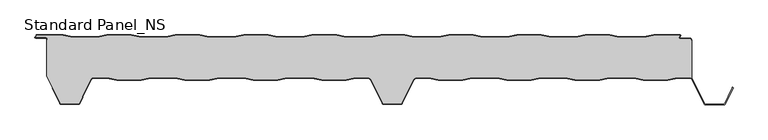
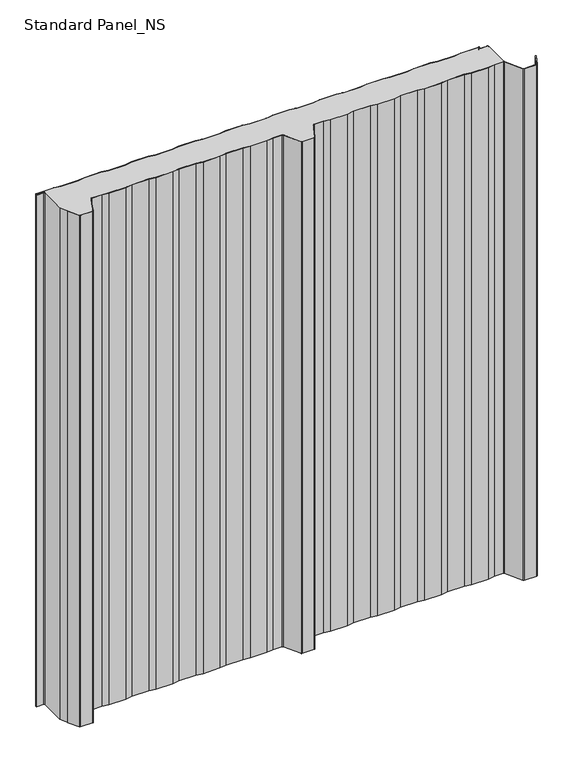
"""IFC4 building model written with IfcOpenShell, lengths in millimetres: proxy geometry, Standard Panel_NS."""

import ifcopenshell
import ifcopenshell.guid

model = None  # the IFC model being written
_history = None  # IfcOwnerHistory: only IFC2X3 demands one
_inside = {}  # id of a spatial element -> (the spatial element, [elements in it])
_under = {}  # id of a project, library or spatial element -> (it, [spatial elements below it])
_declared = {}  # id of a project -> (the project, [libraries it declares])
_typed = {}  # id of a type object -> (the type object, [elements of that type])
_made_of = {}  # id of a material, layer set ... -> (it, [elements and type objects made of it])


def new_model(schema):
    """Start an empty IFC model of exactly this schema.

    Asked for "IFC4X3", IfcOpenShell would pick the latest addendum, in which some entities
    have other attributes; the version numbers below select the first issue.
    IFC2X3 requires an IfcOwnerHistory on every rooted entity: one is made here for all.
    """
    global model, _history
    if schema == "IFC4X3":
        model = ifcopenshell.file(schema_version=(4, 3, 0, 0))
    else:
        model = ifcopenshell.file(schema=schema)
    _inside.clear()
    _under.clear()
    _declared.clear()
    _typed.clear()
    _made_of.clear()
    _history = None
    if model.schema == "IFC2X3":
        org = make("IfcOrganization", Name="unknown")
        user = make(
            "IfcPersonAndOrganization",
            ThePerson=make("IfcPerson", FamilyName="unknown"),
            TheOrganization=org,
        )
        app = make(
            "IfcApplication",
            ApplicationDeveloper=org,
            Version="unknown",
            ApplicationFullName="unknown",
            ApplicationIdentifier="unknown",
        )
        _history = make(
            "IfcOwnerHistory",
            OwningUser=user,
            OwningApplication=app,
            ChangeAction="ADDED",
            CreationDate=0,
        )
    return model


def make(cls, **values):
    """One entity of the class cls with the attributes given. An attribute that is None is left unset."""
    return model.create_entity(
        cls, **{name: value for name, value in values.items() if value is not None}
    )


def rooted(cls, **values):
    """An entity with a GlobalId (a new one), such as an element, a storey or a relation."""
    return make(cls, GlobalId=ifcopenshell.guid.new(), OwnerHistory=_history, **values)


def si_unit(unit_type, name, prefix=None):
    """IfcSIUnit, for example si_unit("LENGTHUNIT", "METRE", prefix="MILLI")."""
    return make("IfcSIUnit", UnitType=unit_type, Prefix=prefix, Name=name)


def assignment(units):
    """IfcUnitAssignment: the units of a project."""
    return None if units is None else make("IfcUnitAssignment", Units=units)


def point(xyz):
    """IfcCartesianPoint."""
    return None if xyz is None else make("IfcCartesianPoint", Coordinates=xyz)


def direction(xyz):
    """IfcDirection."""
    return None if xyz is None else make("IfcDirection", DirectionRatios=xyz)


def frame(location, z_axis=None, x_axis=None):
    """IfcAxis2Placement3D, a coordinate frame: its origin and axes. An axis left out is left unset."""
    return make(
        "IfcAxis2Placement3D",
        Location=point(location),
        Axis=direction(z_axis),
        RefDirection=direction(x_axis),
    )


def frame_2d(location, x_axis=None):
    """IfcAxis2Placement2D, a coordinate frame in the plane: its origin and x axis."""
    return make(
        "IfcAxis2Placement2D", Location=point(location), RefDirection=direction(x_axis)
    )


def origin():
    """The frame at (0, 0, 0) with its axes left unset."""
    return frame((0.0, 0.0, 0.0))


def origin_with_axes():
    """The frame at (0, 0, 0) with the z axis (0, 0, 1) and the x axis (1, 0, 0) written out."""
    return frame((0.0, 0.0, 0.0), z_axis=(0.0, 0.0, 1.0), x_axis=(1.0, 0.0, 0.0))


def place(relative_to, where):
    """IfcLocalPlacement: puts the frame where relative to a parent placement (None: the world)."""
    return make(
        "IfcLocalPlacement", PlacementRelTo=relative_to, RelativePlacement=where
    )


def context(
    kind, dimensions, precision=None, world=None, true_north=None, identifier=None
):
    """IfcGeometricRepresentationContext, for example the 3D "Model" context."""
    return make(
        "IfcGeometricRepresentationContext",
        ContextIdentifier=identifier,
        ContextType=kind,
        CoordinateSpaceDimension=dimensions,
        Precision=precision,
        WorldCoordinateSystem=world,
        TrueNorth=true_north,
    )


def project(units=None, contexts=None):
    """IfcProject with its units and contexts."""
    return rooted(
        "IfcProject",
        Name="project",
        RepresentationContexts=contexts,
        UnitsInContext=assignment(units),
    )


def spatial(cls, under=None, at=None, **own):
    """A site, building, storey or space (cls), placed at a placement, below another one or the project."""
    s = rooted(cls, ObjectPlacement=at, **own)
    if under is not None:
        _under.setdefault(under.id(), (under, []))[1].append(s)
    return s


def polyline(points):
    """IfcPolyline through the points."""
    return make("IfcPolyline", Points=[point(p) for p in points])


def circle_curve(where, radius):
    """IfcCircle in the frame where."""
    return make("IfcCircle", Position=where, Radius=radius)


def trimmed(basis, trim1, trim2, sense, master):
    """IfcTrimmedCurve: the piece of a basis curve between two trims."""
    return make(
        "IfcTrimmedCurve",
        BasisCurve=basis,
        Trim1=trim1,
        Trim2=trim2,
        SenseAgreement=sense,
        MasterRepresentation=master,
    )


def segment(curve, same_sense, transition):
    """IfcCompositeCurveSegment."""
    return make(
        "IfcCompositeCurveSegment",
        Transition=transition,
        SameSense=same_sense,
        ParentCurve=curve,
    )


def composite_curve(segments, self_intersect=None):
    """IfcCompositeCurve: segments joined end to end."""
    return make("IfcCompositeCurve", Segments=segments, SelfIntersect=self_intersect)


def outline(outer, holes=None, kind="AREA"):
    """IfcArbitraryClosedProfileDef: a profile drawn as a closed curve; with holes, ...WithVoids."""
    if holes is None:
        return make("IfcArbitraryClosedProfileDef", ProfileType=kind, OuterCurve=outer)
    return make(
        "IfcArbitraryProfileDefWithVoids",
        ProfileType=kind,
        OuterCurve=outer,
        InnerCurves=holes,
    )


def extrude(swept, where, along, depth):
    """IfcExtrudedAreaSolid: the profile swept, set in the frame where, extruded along a direction by depth."""
    return make(
        "IfcExtrudedAreaSolid",
        SweptArea=swept,
        Position=where,
        ExtrudedDirection=direction(along),
        Depth=depth,
    )


def shape(context_of_items, identifier, shape_type, items):
    """IfcShapeRepresentation: the items that make up one representation, for example the "Body"."""
    return make(
        "IfcShapeRepresentation",
        ContextOfItems=context_of_items,
        RepresentationIdentifier=identifier,
        RepresentationType=shape_type,
        Items=items,
    )


def source(mapping_origin, context_of_items, identifier, shape_type, items):
    """IfcRepresentationMap: a shape defined once, which mapped items show again and again."""
    return make(
        "IfcRepresentationMap",
        MappingOrigin=mapping_origin,
        MappedRepresentation=shape(context_of_items, identifier, shape_type, items),
    )


def transform(
    local_origin,
    x_axis=None,
    y_axis=None,
    z_axis=None,
    scale=None,
    scale2=None,
    scale3=None,
    uniform=True,
):
    """IfcCartesianTransformationOperator3D, or its non-uniform kind. x_axis, y_axis, z_axis: its Axis1, 2, 3."""
    if uniform:
        return make(
            "IfcCartesianTransformationOperator3D",
            Axis1=direction(x_axis),
            Axis2=direction(y_axis),
            LocalOrigin=point(local_origin),
            Scale=scale,
            Axis3=direction(z_axis),
        )
    return make(
        "IfcCartesianTransformationOperator3DnonUniform",
        Axis1=direction(x_axis),
        Axis2=direction(y_axis),
        LocalOrigin=point(local_origin),
        Scale=scale,
        Axis3=direction(z_axis),
        Scale2=scale2,
        Scale3=scale3,
    )


def mapped(mapping_source, mapping_target):
    """IfcMappedItem: shows the shape of a source again, moved by a transform."""
    return make(
        "IfcMappedItem", MappingSource=mapping_source, MappingTarget=mapping_target
    )


def made_of(thing, what):
    """Note that an element or type object is made of a material, layer set ...; save() writes the relation."""
    if what is not None:
        _made_of.setdefault(what.id(), (what, []))[1].append(thing)
    return thing


def element(
    cls,
    number,
    at=None,
    inside=None,
    cuts=None,
    type_object=None,
    material=None,
    context=None,
    identifier="Body",
    shape_type=None,
    held_by="IfcProductDefinitionShape",
    body=None,
    shapes=None,
    **own,
):
    """One element of the class cls, such as IfcWall. Its Tag is "e" and its number.

    at: its placement. inside: the storey or other place that contains it. cuts: it is an
    opening in that element (IfcRelVoidsElement). A single representation is given by context,
    identifier, shape_type and body (its items); several are given by shapes. held_by: the class
    of the entity that holds the representations. save() writes the other relations.
    """
    e = rooted(cls, Tag="e%d" % number, ObjectPlacement=at, **own)
    if body is not None:
        shapes = [shape(context, identifier, shape_type, body)]
    if shapes is not None:
        e.Representation = make(held_by, Representations=shapes)
    if inside is not None:
        _inside.setdefault(inside.id(), (inside, []))[1].append(e)
    if cuts is not None:
        rooted(
            "IfcRelVoidsElement", RelatingBuildingElement=cuts, RelatedOpeningElement=e
        )
    if type_object is not None:
        _typed.setdefault(type_object.id(), (type_object, []))[1].append(e)
    return made_of(e, material)


def aggregate(whole, parts):
    """IfcRelAggregates: a whole, such as a stair, and the parts it consists of."""
    return rooted("IfcRelAggregates", RelatingObject=whole, RelatedObjects=parts)


def save(model, path):
    """Write the relations noted so far, then the file.

    IfcRelAggregates (storeys below a building ...), IfcRelContainedInSpatialStructure (elements
    in a storey), IfcRelDefinesByType, IfcRelAssociatesMaterial and IfcRelDeclares: one each for
    every whole, place, type object, material and project.
    """
    for whole, parts in _under.values():
        aggregate(whole, parts)
    for where, things in _inside.values():
        rooted(
            "IfcRelContainedInSpatialStructure",
            RelatedElements=things,
            RelatingStructure=where,
        )
    for kind, things in _typed.values():
        rooted("IfcRelDefinesByType", RelatedObjects=things, RelatingType=kind)
    for what, things in _made_of.values():
        rooted("IfcRelAssociatesMaterial", RelatedObjects=things, RelatingMaterial=what)
    for by, libraries in _declared.values():
        rooted("IfcRelDeclares", RelatingContext=by, RelatedDefinitions=libraries)
    model.write(path)


def plane_surface(at):
    """IfcPlane: the flat surface through the origin of the frame at, square to its z axis."""
    return make("IfcPlane", Position=at)


def cylinder_surface(at, radius):
    """IfcCylindricalSurface: all points at the distance radius from the z axis of the frame at."""
    return make("IfcCylindricalSurface", Position=at, Radius=radius)


def revolved_surface(curve, axis_point, axis_direction):
    """IfcSurfaceOfRevolution: the curve turned about the line through axis_point along axis_direction."""
    return make(
        "IfcSurfaceOfRevolution",
        SweptCurve=make("IfcArbitraryOpenProfileDef", ProfileType="CURVE", Curve=curve),
        AxisPosition=make("IfcAxis1Placement", Location=point(axis_point), Axis=direction(axis_direction)),
    )


def advanced_brep(points, edges, surfaces, faces):
    """IfcAdvancedBrep: a solid bounded by faces that lie on surfaces and meet in shared edges.

    An edge is (start, end): straight between two places in points (the first is 0);
    or (start, end, curve); or (start, end, curve, False) where it runs against its curve.
    A face is (place in surfaces, loops), or (place, loops, False) where it looks against
    its surface's normal. A loop lists edges by number (the first is 1), with a minus sign
    where the edge is run from its end to its start. The first loop is the outer one.
    """
    corners = [point(p) for p in points]
    vertices = [make("IfcVertexPoint", VertexGeometry=c) for c in corners]
    made = []
    for start, end, *more in edges:
        made.append(
            make(
                "IfcEdgeCurve",
                EdgeStart=vertices[start],
                EdgeEnd=vertices[end],
                EdgeGeometry=more[0] if more else make("IfcPolyline", Points=[corners[start], corners[end]]),
                SameSense=more[1] if len(more) > 1 else True,
            )
        )
    hull = []
    for where, loops, *sense in faces:
        bounds = []
        for j, loop in enumerate(loops):
            ring = [make("IfcOrientedEdge", EdgeElement=made[abs(k) - 1], Orientation=k > 0) for k in loop]
            bounds.append(
                make(
                    "IfcFaceOuterBound" if j == 0 else "IfcFaceBound",
                    Bound=make("IfcEdgeLoop", EdgeList=ring),
                    Orientation=True,
                )
            )
        hull.append(make("IfcAdvancedFace", Bounds=bounds, FaceSurface=surfaces[where], SameSense=sense[0] if sense else True))
    return make("IfcAdvancedBrep", Outer=make("IfcClosedShell", CfsFaces=hull))


def standard_panel_ns_802903de(model_context):
    return source(origin(), model_context, "Body", "SolidModel", [
        advanced_brep(
        [(-464.8660923, -66.7, 1219.2), (-442.3904103, -66.7, 1219.2), (-427.5510173, -69.2, 1219.2), (-389.4758059, -69.2, 1219.2), (-374.6364129, -66.7, 1219.2), (-336.3904103, -66.7, 1219.2), (-321.5510173, -69.2, 1219.2), (-283.4758059, -69.2, 1219.2), (-268.6364129, -66.7, 1219.2), (-230.3904103, -66.7, 1219.2), (-215.5510173, -69.2, 1219.2), (-177.4758059, -69.2, 1219.2), (-162.6364129, -66.7, 1219.2), (-124.3904103, -66.7, 1219.2), (-109.5510173, -69.2, 1219.2), (-71.4758059, -69.2, 1219.2), (-56.6364129, -66.7, 1219.2), (-36.4221814, -66.7, 1219.2), (-33.648765, -68.415023, 1219.2), (-14.9196128, -105.9201502, 1219.2), (-13.5776371, -106.75, 1219.2), (13.5778186, -106.75, 1219.2), (14.9197943, -105.9201502, 1219.2), (33.6489464, -68.415023, 1219.2), (36.4223629, -66.7, 1219.2), (56.6365943, -66.7, 1219.2), (71.4759874, -69.2, 1219.2), (109.5511987, -69.2, 1219.2), (124.3905918, -66.7, 1219.2), (162.6365943, -66.7, 1219.2), (177.4759874, -69.2, 1219.2), (215.5511987, -69.2, 1219.2), (230.3905918, -66.7, 1219.2), (268.6365943, -66.7, 1219.2), (283.4759874, -69.2, 1219.2), (321.5511987, -69.2, 1219.2), (336.3905918, -66.7, 1219.2), (374.6365943, -66.7, 1219.2), (389.4759874, -69.2, 1219.2), (427.5511987, -69.2, 1219.2), (442.3905918, -66.7, 1219.2), (462.60413, -66.7, 1219.2), (464.2327461, -67.1622719, 1219.2), (464.2, -9.4, 1219.2), (463.3617336, -9.4, 1219.2), (463.3617336, -7.4001714, 1219.2), (462.0617343, -6.1001721, 1219.2), (446.4756642, -6.1001721, 1219.2), (444.965675, -3.3204106, 1219.2), (446.6010518, -0.8, 1219.2), (405.4929437, -0.8, 1219.2), (390.4929437, -3.3, 1219.2), (352.3605236, -3.3, 1219.2), (337.3605236, -0.8, 1219.2), (299.4929437, -0.8, 1219.2), (284.4929437, -3.3, 1219.2), (246.3605236, -3.3, 1219.2), (231.3605236, -0.8, 1219.2), (193.4929437, -0.8, 1219.2), (178.4929437, -3.3, 1219.2), (140.3605236, -3.3, 1219.2), (125.3605236, -0.8, 1219.2), (87.4929437, -0.8, 1219.2), (72.4929437, -3.3, 1219.2), (34.3605236, -3.3, 1219.2), (19.3605236, -0.8, 1219.2), (-18.0070563, -0.8, 1219.2), (-33.0070563, -3.3, 1219.2), (-71.1394764, -3.3, 1219.2), (-86.1394764, -0.8, 1219.2), (-124.5070563, -0.8, 1219.2), (-139.5070563, -3.3, 1219.2), (-177.6394764, -3.3, 1219.2), (-192.6394764, -0.8, 1219.2), (-230.5070563, -0.8, 1219.2), (-245.5070563, -3.3, 1219.2), (-283.6394764, -3.3, 1219.2), (-298.6394764, -0.8, 1219.2), (-336.5070563, -0.8, 1219.2), (-351.5070563, -3.3, 1219.2), (-389.6394764, -3.3, 1219.2), (-404.6394764, -0.8, 1219.2), (-442.5070563, -0.8, 1219.2), (-457.5070563, -3.3, 1219.2), (-495.6394764, -3.3, 1219.2), (-510.6394764, -0.8, 1219.2), (-551.4916498, -0.8, 1219.2), (-553.5680922, -4.0001723, 1219.2), (-537.2382661, -4.0001723, 1219.2), (-535.0382664, -6.2001721, 1219.2), (-535.0382664, -8.130172, 1219.2), (-535.8382664, -8.130172, 1219.2), (-535.7998185, -64.25, 1219.2), (-514.9196128, -105.9201502, 1219.2), (-513.5776371, -106.75, 1219.2), (-486.4221814, -106.75, 1219.2), (-485.0802057, -105.9201502, 1219.2), (-480.840508, -97.4301555, 1219.2), (-480.6503205, -95.7702853, 1219.2), (-480.4229673, -95.0045421, 1219.2), (-466.9237884, -67.9724364, 1219.2), (-464.8660923, -66.7, 0.0), (-466.9237884, -67.9724364, 0.0), (-480.4229673, -95.0045421, 0.0), (-480.6503205, -95.7702853, 0.0), (-480.840508, -97.4301555, 0.0), (-485.0802057, -105.9201502, 0.0), (-486.4221814, -106.75, 0.0), (-513.5776371, -106.75, 0.0), (-514.9196128, -105.9201502, 0.0), (-535.7286766, -64.25, 0.0), (-535.8382664, -8.130172, 0.0), (-535.0382664, -8.130172, 0.0), (-535.0382664, -6.2001721, 0.0), (-537.2382661, -4.0001723, 0.0), (-553.5680922, -4.0001723, 0.0), (-551.4916498, -0.8, 0.0), (-510.6394764, -0.8, 0.0), (-495.6394764, -3.3, 0.0), (-457.5070563, -3.3, 0.0), (-442.5070563, -0.8, 0.0), (-404.6394764, -0.8, 0.0), (-389.6394764, -3.3, 0.0), (-351.5070563, -3.3, 0.0), (-336.5070563, -0.8, 0.0), (-298.6394764, -0.8, 0.0), (-283.6394764, -3.3, 0.0), (-245.5070563, -3.3, 0.0), (-230.5070563, -0.8, 0.0), (-192.6394764, -0.8, 0.0), (-177.6394764, -3.3, 0.0), (-139.5070563, -3.3, 0.0), (-124.5070563, -0.8, 0.0), (-86.1394764, -0.8, 0.0), (-71.1394764, -3.3, 0.0), (-33.0070563, -3.3, 0.0), (-18.0070563, -0.8, 0.0), (19.3605236, -0.8, 0.0), (34.3605236, -3.3, 0.0), (72.4929437, -3.3, 0.0), (87.4929437, -0.8, 0.0), (125.3605236, -0.8, 0.0), (140.3605236, -3.3, 0.0), (178.4929437, -3.3, 0.0), (193.4929437, -0.8, 0.0), (231.3605236, -0.8, 0.0), (246.3605236, -3.3, 0.0), (284.4929437, -3.3, 0.0), (299.4929437, -0.8, 0.0), (337.3605236, -0.8, 0.0), (352.3605236, -3.3, 0.0), (390.4929437, -3.3, 0.0), (405.4929437, -0.8, 0.0), (446.6010518, -0.8, 0.0), (444.965675, -3.3204106, 0.0), (446.4756642, -6.1001721, 0.0), (462.0617343, -6.1001721, 0.0), (463.3617336, -7.4001714, 0.0), (463.3617336, -9.4001722, 0.0), (464.2, -9.4, 0.0), (464.2327461, -67.1622719, 0.0), (462.60413, -66.7, 0.0), (442.3905918, -66.7, 0.0), (427.5511987, -69.2, 0.0), (389.4759874, -69.2, 0.0), (374.6365943, -66.7, 0.0), (336.3905918, -66.7, 0.0), (321.5511987, -69.2, 0.0), (283.4759874, -69.2, 0.0), (268.6365943, -66.7, 0.0), (230.3905918, -66.7, 0.0), (215.5511987, -69.2, 0.0), (177.4759874, -69.2, 0.0), (162.6365943, -66.7, 0.0), (124.3905918, -66.7, 0.0), (109.5511987, -69.2, 0.0), (71.4759874, -69.2, 0.0), (56.6365943, -66.7, 0.0), (36.4223629, -66.7, 0.0), (33.6489464, -68.415023, 0.0), (14.9197943, -105.9201502, 0.0), (13.5778186, -106.75, 0.0), (-13.5776371, -106.75, 0.0), (-14.9196128, -105.9201502, 0.0), (-33.648765, -68.415023, 0.0), (-36.4221814, -66.7, 0.0), (-56.6364129, -66.7, 0.0), (-71.4758059, -69.2, 0.0), (-109.5510173, -69.2, 0.0), (-124.3904103, -66.7, 0.0), (-162.6364129, -66.7, 0.0), (-177.4758059, -69.2, 0.0), (-215.5510173, -69.2, 0.0), (-230.3904103, -66.7, 0.0), (-268.6364129, -66.7, 0.0), (-283.4758059, -69.2, 0.0), (-321.5510173, -69.2, 0.0), (-336.3904103, -66.7, 0.0), (-374.6364129, -66.7, 0.0), (-389.4758059, -69.2, 0.0), (-427.5510173, -69.2, 0.0), (-442.3904103, -66.7, 0.0)],
        [
            (0, 1),
            (1, 2),
            (2, 3),
            (3, 4),
            (4, 5),
            (5, 6),
            (6, 7),
            (7, 8),
            (8, 9),
            (9, 10),
            (10, 11),
            (11, 12),
            (12, 13),
            (13, 14),
            (14, 15),
            (15, 16),
            (16, 17),
            (17, 18, circle_curve(frame((-36.4221814, -69.8, 1219.2), z_axis=(0.0, 0.0, -1.0), x_axis=(-1.0, 0.0, 0.0)), 3.1)),
            (18, 19),
            (19, 20, circle_curve(frame((-13.5776371, -105.25, 1219.2), z_axis=(0.0, 0.0, 1.0), x_axis=(-1.0, 0.0, 0.0)), 1.5)),
            (20, 21),
            (21, 22, circle_curve(frame((13.5778186, -105.25, 1219.2), z_axis=(0.0, 0.0, 1.0), x_axis=(-1.0, 0.0, 0.0)), 1.5)),
            (22, 23),
            (23, 24, circle_curve(frame((36.4223629, -69.8, 1219.2), z_axis=(0.0, 0.0, -1.0), x_axis=(-1.0, 0.0, 0.0)), 3.1)),
            (24, 25),
            (25, 26),
            (26, 27),
            (27, 28),
            (28, 29),
            (29, 30),
            (30, 31),
            (31, 32),
            (32, 33),
            (33, 34),
            (34, 35),
            (35, 36),
            (36, 37),
            (37, 38),
            (38, 39),
            (39, 40),
            (40, 41),
            (41, 42, circle_curve(frame((462.60413, -69.8, 1219.2), z_axis=(0.0, 0.0, -1.0), x_axis=(-1.0, 0.0, 0.0)), 3.1)),
            (42, 43),
            (43, 44),
            (44, 45),
            (45, 46, circle_curve(frame((462.0617343, -7.4001714, 1219.2), z_axis=(0.0, 0.0, 1.0), x_axis=(-1.0, 0.0, 0.0)), 1.2999993)),
            (46, 47),
            (47, 48, circle_curve(frame((446.4756642, -4.3001721, 1219.2), z_axis=(0.0, 0.0, -1.0), x_axis=(-1.0, 0.0, 0.0)), 1.8)),
            (48, 49),
            (49, 50),
            (50, 51),
            (51, 52),
            (52, 53),
            (53, 54),
            (54, 55),
            (55, 56),
            (56, 57),
            (57, 58),
            (58, 59),
            (59, 60),
            (60, 61),
            (61, 62),
            (62, 63),
            (63, 64),
            (64, 65),
            (65, 66),
            (66, 67),
            (67, 68),
            (68, 69),
            (69, 70),
            (70, 71),
            (71, 72),
            (72, 73),
            (73, 74),
            (74, 75),
            (75, 76),
            (76, 77),
            (77, 78),
            (78, 79),
            (79, 80),
            (80, 81),
            (81, 82),
            (82, 83),
            (83, 84),
            (84, 85),
            (85, 86),
            (86, 87),
            (87, 88),
            (88, 89, circle_curve(frame((-537.2382661, -6.2001721, 1219.2), z_axis=(0.0, 0.0, -1.0), x_axis=(-1.0, 0.0, 0.0)), 2.1999997)),
            (89, 90),
            (90, 91),
            (91, 92),
            (92, 93),
            (93, 94, circle_curve(frame((-513.5776371, -105.25, 1219.2), z_axis=(0.0, 0.0, 1.0), x_axis=(-1.0, 0.0, 0.0)), 1.5)),
            (94, 95),
            (95, 96, circle_curve(frame((-486.4221814, -105.25, 1219.2), z_axis=(0.0, 0.0, 1.0), x_axis=(-1.0, 0.0, 0.0)), 1.5)),
            (96, 97),
            (97, 98),
            (98, 99, circle_curve(frame((-478.3652712, -96.0321057, 1219.2), z_axis=(0.0, 0.0, -1.0), x_axis=(-1.0, 0.0, 0.0)), 2.3)),
            (99, 100),
            (100, 0, circle_curve(frame((-464.8660923, -69.0, 1219.2), z_axis=(0.0, 0.0, -1.0), x_axis=(-1.0, 0.0, 0.0)), 2.3)),
            (101, 102, circle_curve(frame((-464.8660923, -69.0, 0.0), z_axis=(0.0, 0.0, 1.0), x_axis=(-1.0, 0.0, 0.0)), 2.3)),
            (102, 103),
            (103, 104, circle_curve(frame((-478.3652712, -96.0321057, 0.0), z_axis=(0.0, 0.0, 1.0), x_axis=(-1.0, 0.0, 0.0)), 2.3)),
            (104, 105),
            (105, 106),
            (106, 107, circle_curve(frame((-486.4221814, -105.25, 0.0), z_axis=(0.0, 0.0, -1.0), x_axis=(-1.0, 0.0, 0.0)), 1.5)),
            (107, 108),
            (108, 109, circle_curve(frame((-513.5776371, -105.25, 0.0), z_axis=(0.0, 0.0, -1.0), x_axis=(-1.0, 0.0, 0.0)), 1.5)),
            (109, 110),
            (110, 111),
            (111, 112),
            (112, 113),
            (113, 114, circle_curve(frame((-537.2382661, -6.2001721, 0.0), z_axis=(0.0, 0.0, 1.0), x_axis=(-1.0, 0.0, 0.0)), 2.1999997)),
            (114, 115),
            (115, 116),
            (116, 117),
            (117, 118),
            (118, 119),
            (119, 120),
            (120, 121),
            (121, 122),
            (122, 123),
            (123, 124),
            (124, 125),
            (125, 126),
            (126, 127),
            (127, 128),
            (128, 129),
            (129, 130),
            (130, 131),
            (131, 132),
            (132, 133),
            (133, 134),
            (134, 135),
            (135, 136),
            (136, 137),
            (137, 138),
            (138, 139),
            (139, 140),
            (140, 141),
            (141, 142),
            (142, 143),
            (143, 144),
            (144, 145),
            (145, 146),
            (146, 147),
            (147, 148),
            (148, 149),
            (149, 150),
            (150, 151),
            (151, 152),
            (152, 153),
            (153, 154),
            (154, 155, circle_curve(frame((446.4756642, -4.3001721, 0.0), z_axis=(0.0, 0.0, 1.0), x_axis=(-1.0, 0.0, 0.0)), 1.8)),
            (155, 156),
            (156, 157, circle_curve(frame((462.0617343, -7.4001714, 0.0), z_axis=(0.0, 0.0, -1.0), x_axis=(-1.0, 0.0, 0.0)), 1.2999993)),
            (157, 158),
            (158, 159),
            (159, 160),
            (160, 161, circle_curve(frame((462.60413, -69.8, 0.0), z_axis=(0.0, 0.0, 1.0), x_axis=(-1.0, 0.0, 0.0)), 3.1)),
            (161, 162),
            (162, 163),
            (163, 164),
            (164, 165),
            (165, 166),
            (166, 167),
            (167, 168),
            (168, 169),
            (169, 170),
            (170, 171),
            (171, 172),
            (172, 173),
            (173, 174),
            (174, 175),
            (175, 176),
            (176, 177),
            (177, 178),
            (178, 179, circle_curve(frame((36.4223629, -69.8, 0.0), z_axis=(0.0, 0.0, 1.0), x_axis=(-1.0, 0.0, 0.0)), 3.1)),
            (179, 180),
            (180, 181, circle_curve(frame((13.5778186, -105.25, 0.0), z_axis=(0.0, 0.0, -1.0), x_axis=(-1.0, 0.0, 0.0)), 1.5)),
            (181, 182),
            (182, 183, circle_curve(frame((-13.5776371, -105.25, 0.0), z_axis=(0.0, 0.0, -1.0), x_axis=(-1.0, 0.0, 0.0)), 1.5)),
            (183, 184),
            (184, 185, circle_curve(frame((-36.4221814, -69.8, 0.0), z_axis=(0.0, 0.0, 1.0), x_axis=(-1.0, 0.0, 0.0)), 3.1)),
            (185, 186),
            (186, 187),
            (187, 188),
            (188, 189),
            (189, 190),
            (190, 191),
            (191, 192),
            (192, 193),
            (193, 194),
            (194, 195),
            (195, 196),
            (196, 197),
            (197, 198),
            (198, 199),
            (199, 200),
            (200, 201),
            (201, 101),
            (100, 102),
            (101, 0),
            (99, 103),
            (98, 104),
            (97, 105),
            (96, 106),
            (95, 107),
            (94, 108),
            (93, 109),
            (92, 110),
            (159, 43),
            (42, 160),
            (41, 161),
            (40, 162),
            (39, 163),
            (38, 164),
            (37, 165),
            (36, 166),
            (35, 167),
            (34, 168),
            (33, 169),
            (32, 170),
            (31, 171),
            (30, 172),
            (29, 173),
            (28, 174),
            (27, 175),
            (26, 176),
            (25, 177),
            (24, 178),
            (23, 179),
            (22, 180),
            (21, 181),
            (20, 182),
            (19, 183),
            (18, 184),
            (17, 185),
            (16, 186),
            (15, 187),
            (14, 188),
            (13, 189),
            (12, 190),
            (11, 191),
            (10, 192),
            (9, 193),
            (8, 194),
            (7, 195),
            (6, 196),
            (5, 197),
            (4, 198),
            (3, 199),
            (2, 200),
            (1, 201),
            (158, 44),
            (91, 111),
            (88, 114),
            (113, 89),
            (87, 115),
            (86, 116),
            (85, 117),
            (84, 118),
            (83, 119),
            (82, 120),
            (81, 121),
            (80, 122),
            (79, 123),
            (78, 124),
            (77, 125),
            (76, 126),
            (75, 127),
            (74, 128),
            (73, 129),
            (72, 130),
            (71, 131),
            (70, 132),
            (69, 133),
            (68, 134),
            (67, 135),
            (66, 136),
            (65, 137),
            (64, 138),
            (63, 139),
            (62, 140),
            (61, 141),
            (60, 142),
            (59, 143),
            (58, 144),
            (57, 145),
            (56, 146),
            (55, 147),
            (54, 148),
            (53, 149),
            (52, 150),
            (51, 151),
            (50, 152),
            (49, 153),
            (48, 154),
            (47, 155),
            (46, 156),
            (45, 157),
            (90, 112),
        ],
        [
            plane_surface(frame((9.07e-05, -69.2, 1219.2), z_axis=(0.0, 0.0, 1.0), x_axis=(0.0, -1.0, 0.0))),
            plane_surface(frame((9.07e-05, -69.2, 0.0), z_axis=(0.0, 0.0, -1.0), x_axis=(0.0, -1.0, 0.0))),
            revolved_surface(polyline([(-467.1660923, -69.0, 0.0), (-467.1660923, -69.0, 1219.2)]), (-464.8660923, -69.0, 1219.2), (0.0, 0.0, -1.0)),
            plane_surface(frame((-466.9237884, -67.9724364, 1219.2), z_axis=(0.8946504628058127, -0.44676677293789996, 0.0), x_axis=(0.0, 0.0, -1.0))),
            revolved_surface(polyline([(-480.6652712, -96.0321057, 0.0), (-480.6652712, -96.0321057, 1219.2)]), (-478.3652712, -96.0321057, 1219.2), (0.0, 0.0, -1.0)),
            plane_surface(frame((-480.6503205, -95.7702853, 1219.2), z_axis=(0.9934996737929253, -0.113834960242235, 0.0), x_axis=(0.0, 0.0, -1.0))),
            plane_surface(frame((-480.840508, -97.4301555, 1219.2), z_axis=(0.8946504628055771, -0.44676677293837186, 0.0), x_axis=(0.0, 0.0, -1.0))),
            cylinder_surface(frame((-486.4221814, -105.25, 1219.2), z_axis=(0.0, 0.0, 1.0), x_axis=(-1.0, 0.0, 0.0)), 1.5),
            plane_surface(frame((-486.4221814, -106.75, 1219.2), z_axis=(0.0, -1.0, 0.0), x_axis=(0.0, 0.0, -1.0))),
            cylinder_surface(frame((-513.5776371, -105.25, 1219.2), z_axis=(0.0, 0.0, 1.0), x_axis=(-1.0, 0.0, 0.0)), 1.5),
            plane_surface(frame((-514.9196128, -105.9201502, 1219.2), z_axis=(-0.8946504628064579, -0.44676677293660805, 0.0), x_axis=(0.0, 0.0, -1.0))),
            plane_surface(frame((464.2327461, -64.25, 1219.2), z_axis=(1.0, 0.0, 0.0), x_axis=(0.0, 0.0, -1.0))),
            revolved_surface(polyline([(459.50413, -69.8, 0.0), (459.50413, -69.8, 1219.2)]), (462.60413, -69.8, 1219.2), (0.0, 0.0, -1.0)),
            plane_surface(frame((462.60413, -66.7, 1219.2), z_axis=(0.0, -1.0, 0.0), x_axis=(0.0, 0.0, -1.0))),
            plane_surface(frame((442.3905918, -66.7, 1219.2), z_axis=(0.16612942863435848, -0.9861039564577467, 0.0), x_axis=(0.0, 0.0, -1.0))),
            plane_surface(frame((427.5511987, -69.2, 1219.2), z_axis=(0.0, -1.0, 0.0), x_axis=(0.0, 0.0, -1.0))),
            plane_surface(frame((389.4759874, -69.2, 1219.2), z_axis=(-0.16612942863454067, -0.9861039564577161, 0.0), x_axis=(0.0, 0.0, -1.0))),
            plane_surface(frame((374.6365943, -66.7, 1219.2), z_axis=(0.0, -1.0, 0.0), x_axis=(0.0, 0.0, -1.0))),
            plane_surface(frame((336.3905918, -66.7, 1219.2), z_axis=(0.1661294286345235, -0.986103956457719, 0.0), x_axis=(0.0, 0.0, -1.0))),
            plane_surface(frame((321.5511987, -69.2, 1219.2), z_axis=(0.0, -1.0, 0.0), x_axis=(0.0, 0.0, -1.0))),
            plane_surface(frame((283.4759874, -69.2, 1219.2), z_axis=(-0.16612942863454067, -0.9861039564577161, 0.0), x_axis=(0.0, 0.0, -1.0))),
            plane_surface(frame((268.6365943, -66.7, 1219.2), z_axis=(0.0, -1.0, 0.0), x_axis=(0.0, 0.0, -1.0))),
            plane_surface(frame((230.3905918, -66.7, 1219.2), z_axis=(0.16612942863435848, -0.9861039564577467, 0.0), x_axis=(0.0, 0.0, -1.0))),
            plane_surface(frame((215.5511987, -69.2, 1219.2), z_axis=(0.0, -1.0, 0.0), x_axis=(0.0, 0.0, -1.0))),
            plane_surface(frame((177.4759874, -69.2, 1219.2), z_axis=(-0.16612942863472926, -0.9861039564576843, 0.0), x_axis=(0.0, 0.0, -1.0))),
            plane_surface(frame((162.6365943, -66.7, 1219.2), z_axis=(0.0, -1.0, 0.0), x_axis=(0.0, 0.0, -1.0))),
            plane_surface(frame((124.3905918, -66.7, 1219.2), z_axis=(0.1661294286345235, -0.986103956457719, 0.0), x_axis=(0.0, 0.0, -1.0))),
            plane_surface(frame((109.5511987, -69.2, 1219.2), z_axis=(0.0, -1.0, 0.0), x_axis=(0.0, 0.0, -1.0))),
            plane_surface(frame((71.4759874, -69.2, 1219.2), z_axis=(-0.16612942863435204, -0.9861039564577478, 0.0), x_axis=(0.0, 0.0, -1.0))),
            plane_surface(frame((56.6365943, -66.7, 1219.2), z_axis=(0.0, -1.0, 0.0), x_axis=(0.0, 0.0, -1.0))),
            revolved_surface(polyline([(33.3223629, -69.8, 0.0), (33.3223629, -69.8, 1219.2)]), (36.4223629, -69.8, 1219.2), (0.0, 0.0, -1.0)),
            plane_surface(frame((33.6489464, -68.415023, 1219.2), z_axis=(0.8946504628060804, -0.44676677293736405, 0.0), x_axis=(0.0, 0.0, -1.0))),
            cylinder_surface(frame((13.5778186, -105.25, 1219.2), z_axis=(0.0, 0.0, 1.0), x_axis=(-1.0, 0.0, 0.0)), 1.5),
            plane_surface(frame((13.5778186, -106.75, 1219.2), z_axis=(0.0, -1.0, 0.0), x_axis=(0.0, 0.0, -1.0))),
            cylinder_surface(frame((-13.5776371, -105.25, 1219.2), z_axis=(0.0, 0.0, 1.0), x_axis=(-1.0, 0.0, 0.0)), 1.5),
            plane_surface(frame((-14.9196128, -105.9201502, 1219.2), z_axis=(-0.8946504628059846, -0.4467667729375559, 0.0), x_axis=(0.0, 0.0, -1.0))),
            revolved_surface(polyline([(-39.5221814, -69.8, 0.0), (-39.5221814, -69.8, 1219.2)]), (-36.4221814, -69.8, 1219.2), (0.0, 0.0, -1.0)),
            plane_surface(frame((-36.4221814, -66.7, 1219.2), z_axis=(0.0, -1.0, 0.0), x_axis=(0.0, 0.0, -1.0))),
            plane_surface(frame((-56.6364129, -66.7, 1219.2), z_axis=(0.16612942863461477, -0.9861039564577035, 0.0), x_axis=(0.0, 0.0, -1.0))),
            plane_surface(frame((-71.4758059, -69.2, 1219.2), z_axis=(0.0, -1.0, 0.0), x_axis=(0.0, 0.0, -1.0))),
            plane_surface(frame((-109.5510173, -69.2, 1219.2), z_axis=(-0.16612942863482053, -0.9861039564576689, 0.0), x_axis=(0.0, 0.0, -1.0))),
            plane_surface(frame((-124.3904103, -66.7, 1219.2), z_axis=(0.0, -1.0, 0.0), x_axis=(0.0, 0.0, -1.0))),
            plane_surface(frame((-162.6364129, -66.7, 1219.2), z_axis=(0.16612942863457067, -0.986103956457711, 0.0), x_axis=(0.0, 0.0, -1.0))),
            plane_surface(frame((-177.4758059, -69.2, 1219.2), z_axis=(0.0, -1.0, 0.0), x_axis=(0.0, 0.0, -1.0))),
            plane_surface(frame((-215.5510173, -69.2, 1219.2), z_axis=(-0.16612942863435204, -0.9861039564577478, 0.0), x_axis=(0.0, 0.0, -1.0))),
            plane_surface(frame((-230.3904103, -66.7, 1219.2), z_axis=(0.0, -1.0, 0.0), x_axis=(0.0, 0.0, -1.0))),
            plane_surface(frame((-268.6364129, -66.7, 1219.2), z_axis=(0.1661294286345471, -0.986103956457715, 0.0), x_axis=(0.0, 0.0, -1.0))),
            plane_surface(frame((-283.4758059, -69.2, 1219.2), z_axis=(0.0, -1.0, 0.0), x_axis=(0.0, 0.0, -1.0))),
            plane_surface(frame((-321.5510173, -69.2, 1219.2), z_axis=(-0.16612942863454067, -0.9861039564577161, 0.0), x_axis=(0.0, 0.0, -1.0))),
            plane_surface(frame((-336.3904103, -66.7, 1219.2), z_axis=(0.0, -1.0, 0.0), x_axis=(0.0, 0.0, -1.0))),
            plane_surface(frame((-374.6364129, -66.7, 1219.2), z_axis=(0.1661294286345471, -0.986103956457715, 0.0), x_axis=(0.0, 0.0, -1.0))),
            plane_surface(frame((-389.4758059, -69.2, 1219.2), z_axis=(0.0, -1.0, 0.0), x_axis=(0.0, 0.0, -1.0))),
            plane_surface(frame((-427.5510173, -69.2, 1219.2), z_axis=(-0.16612942863472926, -0.9861039564576843, 0.0), x_axis=(0.0, 0.0, -1.0))),
            plane_surface(frame((-442.3904103, -66.7, 1219.2), z_axis=(0.0, -1.0, 0.0), x_axis=(0.0, 0.0, -1.0))),
            plane_surface(frame((-535.7998185, -9.4, 1219.2), z_axis=(0.0, 1.0, 0.0), x_axis=(0.0, 0.0, -1.0))),
            plane_surface(frame((-535.7998185, -64.25, 1219.2), z_axis=(-1.0, 0.0, 0.0), x_axis=(0.0, 0.0, -1.0))),
            revolved_surface(polyline([(-539.4382658000001, -6.2001721, 0.0), (-539.4382658000001, -6.2001721, 1219.2)]), (-537.2382661, -6.2001721, 1219.2), (0.0, 0.0, -1.0)),
            plane_surface(frame((-537.2382661, -4.0001723, 1219.2), z_axis=(0.0, -1.0, 0.0), x_axis=(0.0, 0.0, -1.0))),
            plane_surface(frame((-553.5680922, -4.0001723, 1219.2), z_axis=(-0.8388828900560089, 0.5443119480328152, 0.0), x_axis=(0.0, 0.0, -1.0))),
            plane_surface(frame((-551.4916498, -0.8, 1219.2), z_axis=(0.0, 1.0, 0.0), x_axis=(0.0, 0.0, -1.0))),
            plane_surface(frame((-510.6394764, -0.8, 1219.2), z_axis=(0.16439898730529637, 0.986393923832154, 0.0), x_axis=(0.0, 0.0, -1.0))),
            plane_surface(frame((-495.6394764, -3.3, 1219.2), z_axis=(0.0, 1.0, 0.0), x_axis=(0.0, 0.0, -1.0))),
            plane_surface(frame((-457.5070563, -3.3, 1219.2), z_axis=(-0.1643989873053497, 0.9863939238321451, 0.0), x_axis=(0.0, 0.0, -1.0))),
            plane_surface(frame((-442.5070563, -0.8, 1219.2), z_axis=(0.0, 1.0, 0.0), x_axis=(0.0, 0.0, -1.0))),
            plane_surface(frame((-404.6394764, -0.8, 1219.2), z_axis=(0.16439898730534544, 0.9863939238321457, 0.0), x_axis=(0.0, 0.0, -1.0))),
            plane_surface(frame((-389.6394764, -3.3, 1219.2), z_axis=(0.0, 1.0, 0.0), x_axis=(0.0, 0.0, -1.0))),
            plane_surface(frame((-351.5070563, -3.3, 1219.2), z_axis=(-0.16439898730537528, 0.9863939238321408, 0.0), x_axis=(0.0, 0.0, -1.0))),
            plane_surface(frame((-336.5070563, -0.8, 1219.2), z_axis=(0.0, 1.0, 0.0), x_axis=(0.0, 0.0, -1.0))),
            plane_surface(frame((-298.6394764, -0.8, 1219.2), z_axis=(0.16439898730518882, 0.9863939238321718, 0.0), x_axis=(0.0, 0.0, -1.0))),
            plane_surface(frame((-283.6394764, -3.3, 1219.2), z_axis=(0.0, 1.0, 0.0), x_axis=(0.0, 0.0, -1.0))),
            plane_surface(frame((-245.5070563, -3.3, 1219.2), z_axis=(-0.16439898730526595, 0.986393923832159, 0.0), x_axis=(0.0, 0.0, -1.0))),
            plane_surface(frame((-230.5070563, -0.8, 1219.2), z_axis=(0.0, 1.0, 0.0), x_axis=(0.0, 0.0, -1.0))),
            plane_surface(frame((-192.6394764, -0.8, 1219.2), z_axis=(0.1643989873054454, 0.9863939238321291, 0.0), x_axis=(0.0, 0.0, -1.0))),
            plane_surface(frame((-177.6394764, -3.3, 1219.2), z_axis=(0.0, 1.0, 0.0), x_axis=(0.0, 0.0, -1.0))),
            plane_surface(frame((-139.5070563, -3.3, 1219.2), z_axis=(-0.16439898730351146, 0.9863939238324514, 0.0), x_axis=(0.0, 0.0, -1.0))),
            plane_surface(frame((-124.5070563, -0.8, 1219.2), z_axis=(0.0, 1.0, 0.0), x_axis=(0.0, 0.0, -1.0))),
            plane_surface(frame((-86.1394764, -0.8, 1219.2), z_axis=(0.16439898730531116, 0.9863939238321515, 0.0), x_axis=(0.0, 0.0, -1.0))),
            plane_surface(frame((-71.1394764, -3.3, 1219.2), z_axis=(0.0, 1.0, 0.0), x_axis=(0.0, 0.0, -1.0))),
            plane_surface(frame((-33.0070563, -3.3, 1219.2), z_axis=(-0.1643989873007139, 0.9863939238329177, 0.0), x_axis=(0.0, 0.0, -1.0))),
            plane_surface(frame((-18.0070563, -0.8, 1219.2), z_axis=(0.0, 1.0, 0.0), x_axis=(0.0, 0.0, -1.0))),
            plane_surface(frame((19.3605236, -0.8, 1219.2), z_axis=(0.16439898730276062, 0.9863939238325765, 0.0), x_axis=(0.0, 0.0, -1.0))),
            plane_surface(frame((34.3605236, -3.3, 1219.2), z_axis=(0.0, 1.0, 0.0), x_axis=(0.0, 0.0, -1.0))),
            plane_surface(frame((72.4929437, -3.3, 1219.2), z_axis=(-0.1643989873053467, 0.9863939238321456, 0.0), x_axis=(0.0, 0.0, -1.0))),
            plane_surface(frame((87.4929437, -0.8, 1219.2), z_axis=(0.0, 1.0, 0.0), x_axis=(0.0, 0.0, -1.0))),
            plane_surface(frame((125.3605236, -0.8, 1219.2), z_axis=(0.1643989873053679, 0.9863939238321421, 0.0), x_axis=(0.0, 0.0, -1.0))),
            plane_surface(frame((140.3605236, -3.3, 1219.2), z_axis=(0.0, 1.0, 0.0), x_axis=(0.0, 0.0, -1.0))),
            plane_surface(frame((178.4929437, -3.3, 1219.2), z_axis=(-0.1643989873053467, 0.9863939238321456, 0.0), x_axis=(0.0, 0.0, -1.0))),
            plane_surface(frame((193.4929437, -0.8, 1219.2), z_axis=(0.0, 1.0, 0.0), x_axis=(0.0, 0.0, -1.0))),
            plane_surface(frame((231.3605236, -0.8, 1219.2), z_axis=(0.16439898730518315, 0.9863939238321728, 0.0), x_axis=(0.0, 0.0, -1.0))),
            plane_surface(frame((246.3605236, -3.3, 1219.2), z_axis=(0.0, 1.0, 0.0), x_axis=(0.0, 0.0, -1.0))),
            plane_surface(frame((284.4929437, -3.3, 1219.2), z_axis=(-0.1643989873053467, 0.9863939238321456, 0.0), x_axis=(0.0, 0.0, -1.0))),
            plane_surface(frame((299.4929437, -0.8, 1219.2), z_axis=(0.0, 1.0, 0.0), x_axis=(0.0, 0.0, -1.0))),
            plane_surface(frame((337.3605236, -0.8, 1219.2), z_axis=(0.1643989873053679, 0.9863939238321421, 0.0), x_axis=(0.0, 0.0, -1.0))),
            plane_surface(frame((352.3605236, -3.3, 1219.2), z_axis=(0.0, 1.0, 0.0), x_axis=(0.0, 0.0, -1.0))),
            plane_surface(frame((390.4929437, -3.3, 1219.2), z_axis=(-0.16439898730516195, 0.9863939238321764, 0.0), x_axis=(0.0, 0.0, -1.0))),
            plane_surface(frame((405.4929437, -0.8, 1219.2), z_axis=(0.0, 1.0, 0.0), x_axis=(0.0, 0.0, -1.0))),
            plane_surface(frame((446.6010518, -0.8, 1219.2), z_axis=(0.8388828900539764, -0.5443119480359477, 0.0), x_axis=(0.0, 0.0, -1.0))),
            revolved_surface(polyline([(444.67566419999997, -4.3001721, 0.0), (444.67566419999997, -4.3001721, 1219.2)]), (446.4756642, -4.3001721, 1219.2), (0.0, 0.0, -1.0)),
            plane_surface(frame((446.4756642, -6.1001721, 1219.2), z_axis=(0.0, 1.0, 0.0), x_axis=(0.0, 0.0, -1.0))),
            cylinder_surface(frame((462.0617343, -7.4001714, 1219.2), z_axis=(0.0, 0.0, 1.0), x_axis=(-1.0, 0.0, 0.0)), 1.2999993),
            plane_surface(frame((463.3617336, -7.4001714, 1219.2), z_axis=(1.0, 0.0, 0.0), x_axis=(0.0, 0.0, -1.0))),
            plane_surface(frame((-535.8382664, -8.130172, 1219.2), z_axis=(0.0, 1.0, 0.0), x_axis=(0.0, 0.0, -1.0))),
            plane_surface(frame((-535.0382664, -8.130172, 1219.2), z_axis=(-1.0, 0.0, 0.0), x_axis=(0.0, 0.0, -1.0))),
        ],
        [
            (0, [[1, 2, 3, 4, 5, 6, 7, 8, 9, 10, 11, 12, 13, 14, 15, 16, 17, 18, 19, 20, 21, 22, 23, 24, 25, 26, 27, 28, 29, 30, 31, 32, 33, 34, 35, 36, 37, 38, 39, 40, 41, 42, 43, 44, 45, 46, 47, 48, 49, 50, 51, 52, 53, 54, 55, 56, 57, 58, 59, 60, 61, 62, 63, 64, 65, 66, 67, 68, 69, 70, 71, 72, 73, 74, 75, 76, 77, 78, 79, 80, 81, 82, 83, 84, 85, 86, 87, 88, 89, 90, 91, 92, 93, 94, 95, 96, 97, 98, 99, 100, 101]]),
            (1, [[102, 103, 104, 105, 106, 107, 108, 109, 110, 111, 112, 113, 114, 115, 116, 117, 118, 119, 120, 121, 122, 123, 124, 125, 126, 127, 128, 129, 130, 131, 132, 133, 134, 135, 136, 137, 138, 139, 140, 141, 142, 143, 144, 145, 146, 147, 148, 149, 150, 151, 152, 153, 154, 155, 156, 157, 158, 159, 160, 161, 162, 163, 164, 165, 166, 167, 168, 169, 170, 171, 172, 173, 174, 175, 176, 177, 178, 179, 180, 181, 182, 183, 184, 185, 186, 187, 188, 189, 190, 191, 192, 193, 194, 195, 196, 197, 198, 199, 200, 201, 202]]),
            (2, [[203, -102, 204, -101]]),
            (3, [[205, -103, -203, -100]]),
            (4, [[206, -104, -205, -99]]),
            (5, [[207, -105, -206, -98]]),
            (6, [[208, -106, -207, -97]]),
            (7, [[209, -107, -208, -96]]),
            (8, [[210, -108, -209, -95]]),
            (9, [[211, -109, -210, -94]]),
            (10, [[212, -110, -211, -93]]),
            (11, [[-160, 213, -43, 214]]),
            (12, [[215, -161, -214, -42]]),
            (13, [[216, -162, -215, -41]]),
            (14, [[217, -163, -216, -40]]),
            (15, [[218, -164, -217, -39]]),
            (16, [[219, -165, -218, -38]]),
            (17, [[220, -166, -219, -37]]),
            (18, [[221, -167, -220, -36]]),
            (19, [[222, -168, -221, -35]]),
            (20, [[223, -169, -222, -34]]),
            (21, [[224, -170, -223, -33]]),
            (22, [[225, -171, -224, -32]]),
            (23, [[226, -172, -225, -31]]),
            (24, [[227, -173, -226, -30]]),
            (25, [[228, -174, -227, -29]]),
            (26, [[229, -175, -228, -28]]),
            (27, [[230, -176, -229, -27]]),
            (28, [[231, -177, -230, -26]]),
            (29, [[232, -178, -231, -25]]),
            (30, [[233, -179, -232, -24]]),
            (31, [[234, -180, -233, -23]]),
            (32, [[235, -181, -234, -22]]),
            (33, [[236, -182, -235, -21]]),
            (34, [[237, -183, -236, -20]]),
            (35, [[238, -184, -237, -19]]),
            (36, [[239, -185, -238, -18]]),
            (37, [[240, -186, -239, -17]]),
            (38, [[241, -187, -240, -16]]),
            (39, [[242, -188, -241, -15]]),
            (40, [[243, -189, -242, -14]]),
            (41, [[244, -190, -243, -13]]),
            (42, [[245, -191, -244, -12]]),
            (43, [[246, -192, -245, -11]]),
            (44, [[247, -193, -246, -10]]),
            (45, [[248, -194, -247, -9]]),
            (46, [[249, -195, -248, -8]]),
            (47, [[250, -196, -249, -7]]),
            (48, [[251, -197, -250, -6]]),
            (49, [[252, -198, -251, -5]]),
            (50, [[253, -199, -252, -4]]),
            (51, [[254, -200, -253, -3]]),
            (52, [[255, -201, -254, -2]]),
            (53, [[-204, -202, -255, -1]]),
            (54, [[-159, 256, -44, -213]]),
            (55, [[257, -111, -212, -92]]),
            (56, [[258, -114, 259, -89]]),
            (57, [[260, -115, -258, -88]]),
            (58, [[261, -116, -260, -87]]),
            (59, [[262, -117, -261, -86]]),
            (60, [[263, -118, -262, -85]]),
            (61, [[264, -119, -263, -84]]),
            (62, [[265, -120, -264, -83]]),
            (63, [[266, -121, -265, -82]]),
            (64, [[267, -122, -266, -81]]),
            (65, [[268, -123, -267, -80]]),
            (66, [[269, -124, -268, -79]]),
            (67, [[270, -125, -269, -78]]),
            (68, [[271, -126, -270, -77]]),
            (69, [[272, -127, -271, -76]]),
            (70, [[273, -128, -272, -75]]),
            (71, [[274, -129, -273, -74]]),
            (72, [[275, -130, -274, -73]]),
            (73, [[276, -131, -275, -72]]),
            (74, [[277, -132, -276, -71]]),
            (75, [[278, -133, -277, -70]]),
            (76, [[279, -134, -278, -69]]),
            (77, [[280, -135, -279, -68]]),
            (78, [[281, -136, -280, -67]]),
            (79, [[282, -137, -281, -66]]),
            (80, [[283, -138, -282, -65]]),
            (81, [[284, -139, -283, -64]]),
            (82, [[285, -140, -284, -63]]),
            (83, [[286, -141, -285, -62]]),
            (84, [[287, -142, -286, -61]]),
            (85, [[288, -143, -287, -60]]),
            (86, [[289, -144, -288, -59]]),
            (87, [[290, -145, -289, -58]]),
            (88, [[291, -146, -290, -57]]),
            (89, [[292, -147, -291, -56]]),
            (90, [[293, -148, -292, -55]]),
            (91, [[294, -149, -293, -54]]),
            (92, [[295, -150, -294, -53]]),
            (93, [[296, -151, -295, -52]]),
            (94, [[297, -152, -296, -51]]),
            (95, [[298, -153, -297, -50]]),
            (96, [[299, -154, -298, -49]]),
            (97, [[300, -155, -299, -48]]),
            (98, [[301, -156, -300, -47]]),
            (99, [[302, -157, -301, -46]]),
            (100, [[-256, -158, -302, -45]]),
            (101, [[303, -112, -257, -91]]),
            (102, [[-259, -113, -303, -90]]),
        ],
    ),
        extrude(outline(composite_curve([segment(trimmed(circle_curve(frame_2d((-537.2382661, -6.2001721)), 1.3999997), [point((-535.8382664, -6.2001721))], [point((-537.2382661, -4.8001723))], True, "CARTESIAN"), True, "CONTINUOUS"), segment(polyline([(-537.2382661, -4.8001723), (-553.1999093, -4.8001723)]), True, "CONTINUOUS"), segment(trimmed(circle_curve(frame_2d((-553.1999093, -3.8001723)), 1.0), [point((-553.1999093, -4.8001723))], [point((-554.0387922, -3.2558604))], False, "CARTESIAN"), True, "CONTINUOUS"), segment(polyline([(-554.0387922, -3.2558604), (-552.2218911, -0.4556881)]), True, "CONTINUOUS"), segment(trimmed(circle_curve(frame_2d((-551.3830082, -1.0)), 1.0), [point((-552.2218911, -0.4556881))], [point((-551.3830082, 0.0))], False, "CARTESIAN"), True, "CONTINUOUS"), segment(polyline([(-551.3830082, 0.0), (-510.5732664, 0.0), (-495.5732664, -2.5), (-457.5732664, -2.5), (-442.5732664, 0.0), (-404.5732664, 0.0), (-389.5732664, -2.5), (-351.5732664, -2.5), (-336.5732664, 0.0), (-298.5732664, 0.0), (-283.5732664, -2.5), (-245.5732664, -2.5), (-230.5732664, 0.0), (-192.5732664, 0.0), (-177.5732664, -2.5), (-139.5732664, -2.5), (-124.5732664, 0.0), (-86.0732664, 0.0), (-71.0732664, -2.5), (-33.0732664, -2.5), (-18.0732664, 0.0), (19.4267336, 0.0), (34.4267336, -2.5), (72.4267336, -2.5), (87.4267336, 0.0), (125.4267336, 0.0), (140.4267336, -2.5), (178.4267336, -2.5), (193.4267336, 0.0), (231.4267336, 0.0), (246.4267336, -2.5), (284.4267336, -2.5), (299.4267336, 0.0), (337.4267336, 0.0), (352.4267336, -2.5), (390.4267336, -2.5), (405.4267336, 0.0), (446.2328688, 0.0)]), True, "CONTINUOUS"), segment(trimmed(circle_curve(frame_2d((446.2328688, -1.0)), 1.0), [point((446.2328688, 0.0))], [point((447.0717517, -1.5443119))], False, "CARTESIAN"), True, "CONTINUOUS"), segment(polyline([(447.0717517, -1.5443119), (445.6367813, -3.7558601)]), True, "CONTINUOUS"), segment(trimmed(circle_curve(frame_2d((446.4756642, -4.3001721)), 1.0), [point((445.6367813, -3.7558601))], [point((446.4756642, -5.3001721))], True, "CARTESIAN"), True, "CONTINUOUS"), segment(polyline([(446.4756642, -5.3001721), (462.0617343, -5.3001721)]), True, "CONTINUOUS"), segment(trimmed(circle_curve(frame_2d((462.0617343, -7.4001714)), 2.0999993), [point((462.0617343, -5.3001721))], [point((464.1617336, -7.4001714))], False, "CARTESIAN"), True, "CONTINUOUS"), segment(polyline([(464.1617336, -7.4001714), (464.1617336, -9.4001722), (463.3617336, -9.4001722), (463.3617336, -7.4001714)]), True, "CONTINUOUS"), segment(trimmed(circle_curve(frame_2d((462.0617343, -7.4001714)), 1.2999993), [point((463.3617336, -7.4001714))], [point((462.0617343, -6.1001721))], True, "CARTESIAN"), True, "CONTINUOUS"), segment(polyline([(462.0617343, -6.1001721), (446.4756642, -6.1001721)]), True, "CONTINUOUS"), segment(trimmed(circle_curve(frame_2d((446.4756642, -4.3001721)), 1.8), [point((446.4756642, -6.1001721))], [point((444.965675, -3.3204106))], False, "CARTESIAN"), True, "CONTINUOUS"), segment(polyline([(444.965675, -3.3204106), (446.6010518, -0.8), (405.4929437, -0.8), (390.4929437, -3.3), (352.3605236, -3.3), (337.3605236, -0.8), (299.4929437, -0.8), (284.4929437, -3.3), (246.3605236, -3.3), (231.3605236, -0.8), (193.4929437, -0.8), (178.4929437, -3.3), (140.3605236, -3.3), (125.3605236, -0.8), (87.4929437, -0.8), (72.4929437, -3.3), (34.3605236, -3.3), (19.3605236, -0.8), (-18.0070563, -0.8), (-33.0070563, -3.3), (-71.1394764, -3.3), (-86.1394764, -0.8), (-124.5070563, -0.8), (-139.5070563, -3.3), (-177.6394764, -3.3), (-192.6394764, -0.8), (-230.5070563, -0.8), (-245.5070563, -3.3), (-283.6394764, -3.3), (-298.6394764, -0.8), (-336.5070563, -0.8), (-351.5070563, -3.3), (-389.6394764, -3.3), (-404.6394764, -0.8), (-442.5070563, -0.8), (-457.5070563, -3.3), (-495.6394764, -3.3), (-510.6394764, -0.8), (-551.4916498, -0.8), (-553.5680922, -4.0001723), (-537.2382661, -4.0001723)]), True, "CONTINUOUS"), segment(trimmed(circle_curve(frame_2d((-537.2382661, -6.2001721)), 2.1999997), [point((-537.2382661, -4.0001723))], [point((-535.0382664, -6.2001721))], False, "CARTESIAN"), True, "CONTINUOUS"), segment(polyline([(-535.0382664, -6.2001721), (-535.0382664, -8.130172), (-535.8382664, -8.130172), (-535.8382664, -6.2001721)]), True, "CONTINUOUS")], self_intersect=False)), origin_with_axes(), (0.0, 0.0, 1.0), 1219.2),
        extrude(outline(composite_curve([segment(polyline([(-464.8660923, -66.7), (-442.3904103, -66.7), (-427.5510173, -69.2), (-389.4758059, -69.2), (-374.6364129, -66.7), (-336.3904103, -66.7), (-321.5510173, -69.2), (-283.4758059, -69.2), (-268.6364129, -66.7), (-230.3904103, -66.7), (-215.5510173, -69.2), (-177.4758059, -69.2), (-162.6364129, -66.7), (-124.3904103, -66.7), (-109.5510173, -69.2), (-71.4758059, -69.2), (-56.6364129, -66.7), (-36.4221814, -66.7)]), True, "CONTINUOUS"), segment(trimmed(circle_curve(frame_2d((-36.4221814, -69.8)), 3.1), [point((-36.4221814, -66.7))], [point((-33.648765, -68.415023))], False, "CARTESIAN"), True, "CONTINUOUS"), segment(polyline([(-33.648765, -68.415023), (-14.9196128, -105.9201502)]), True, "CONTINUOUS"), segment(trimmed(circle_curve(frame_2d((-13.5776371, -105.25)), 1.5), [point((-14.9196128, -105.9201502))], [point((-13.5776371, -106.75))], True, "CARTESIAN"), True, "CONTINUOUS"), segment(polyline([(-13.5776371, -106.75), (13.5778186, -106.75)]), True, "CONTINUOUS"), segment(trimmed(circle_curve(frame_2d((13.5778186, -105.25)), 1.5), [point((13.5778186, -106.75))], [point((14.9197943, -105.9201502))], True, "CARTESIAN"), True, "CONTINUOUS"), segment(polyline([(14.9197943, -105.9201502), (33.6489464, -68.415023)]), True, "CONTINUOUS"), segment(trimmed(circle_curve(frame_2d((36.4223629, -69.8)), 3.1), [point((33.6489464, -68.415023))], [point((36.4223629, -66.7))], False, "CARTESIAN"), True, "CONTINUOUS"), segment(polyline([(36.4223629, -66.7), (56.6365943, -66.7), (71.4759874, -69.2), (109.5511987, -69.2), (124.3905918, -66.7), (162.6365943, -66.7), (177.4759874, -69.2), (215.5511987, -69.2), (230.3905918, -66.7), (268.6365943, -66.7), (283.4759874, -69.2), (321.5511987, -69.2), (336.3905918, -66.7), (374.6365943, -66.7), (389.4759874, -69.2), (427.5511987, -69.2), (442.3905918, -66.7), (462.60413, -66.7)]), True, "CONTINUOUS"), segment(trimmed(circle_curve(frame_2d((462.60413, -69.8)), 3.1), [point((462.60413, -66.7))], [point((465.37815, -68.4162325))], False, "CARTESIAN"), True, "CONTINUOUS"), segment(polyline([(465.37815, -68.4162325), (484.5804417, -106.910808)]), True, "CONTINUOUS"), segment(trimmed(circle_curve(frame_2d((485.9227095, -106.241243)), 1.5), [point((484.5804417, -106.910808))], [point((485.9227095, -107.741243))], True, "CARTESIAN"), True, "CONTINUOUS"), segment(polyline([(485.9227095, -107.741243), (514.0774719, -107.741243)]), True, "CONTINUOUS"), segment(trimmed(circle_curve(frame_2d((514.0774719, -106.241243)), 1.5), [point((514.0774719, -107.741243))], [point((515.4194476, -106.9113932))], True, "CARTESIAN"), True, "CONTINUOUS"), segment(polyline([(515.4194476, -106.9113932), (521.4855253, -94.7640727), (520.7698049, -94.4066593), (527.1138931, -81.7026227)]), True, "CONTINUOUS"), segment(trimmed(circle_curve(frame_2d((527.8296135, -82.0600361)), 0.8), [point((527.1138931, -81.7026227))], [point((528.5453338, -82.4174495))], False, "CARTESIAN"), True, "CONTINUOUS"), segment(polyline([(528.5453338, -82.4174495), (516.135168, -107.2688066)]), True, "CONTINUOUS"), segment(trimmed(circle_curve(frame_2d((514.0774719, -106.241243)), 2.3), [point((516.135168, -107.2688066))], [point((514.0774719, -108.541243))], False, "CARTESIAN"), True, "CONTINUOUS"), segment(polyline([(514.0774719, -108.541243), (485.9227095, -108.541243)]), True, "CONTINUOUS"), segment(trimmed(circle_curve(frame_2d((485.9227095, -106.241243)), 2.3), [point((485.9227095, -108.541243))], [point((483.8645656, -107.2679093))], False, "CARTESIAN"), True, "CONTINUOUS"), segment(polyline([(483.8645656, -107.2679093), (464.6622739, -68.7733338)]), True, "CONTINUOUS"), segment(trimmed(circle_curve(frame_2d((462.60413, -69.8)), 2.3), [point((464.6622739, -68.7733338))], [point((462.60413, -67.5))], True, "CARTESIAN"), True, "CONTINUOUS"), segment(polyline([(462.60413, -67.5), (442.4575085, -67.5), (427.6181154, -70.0), (389.4090707, -70.0), (374.5696776, -67.5), (336.4575085, -67.5), (321.6181154, -70.0), (283.4090707, -70.0), (268.5696776, -67.5), (230.4575085, -67.5), (215.6181154, -70.0), (177.4090707, -70.0), (162.5696776, -67.5), (124.4575085, -67.5), (109.6181154, -70.0), (71.4090707, -70.0), (56.5696776, -67.5), (36.4223629, -67.5)]), True, "CONTINUOUS"), segment(trimmed(circle_curve(frame_2d((36.4223629, -69.8)), 2.3), [point((36.4223629, -67.5))], [point((34.3646668, -68.7724364))], True, "CARTESIAN"), True, "CONTINUOUS"), segment(polyline([(34.3646668, -68.7724364), (15.6355147, -106.2775636)]), True, "CONTINUOUS"), segment(trimmed(circle_curve(frame_2d((13.5778186, -105.25)), 2.3), [point((15.6355147, -106.2775636))], [point((13.5778186, -107.55))], False, "CARTESIAN"), True, "CONTINUOUS"), segment(polyline([(13.5778186, -107.55), (-13.5776371, -107.55)]), True, "CONTINUOUS"), segment(trimmed(circle_curve(frame_2d((-13.5776371, -105.25)), 2.3), [point((-13.5776371, -107.55))], [point((-15.6353332, -106.2775636))], False, "CARTESIAN"), True, "CONTINUOUS"), segment(polyline([(-15.6353332, -106.2775636), (-34.3644853, -68.7724364)]), True, "CONTINUOUS"), segment(trimmed(circle_curve(frame_2d((-36.4221814, -69.8)), 2.3), [point((-34.3644853, -68.7724364))], [point((-36.4221814, -67.5))], True, "CARTESIAN"), True, "CONTINUOUS"), segment(polyline([(-36.4221814, -67.5), (-56.5694962, -67.5), (-71.4088892, -70.0), (-109.617934, -70.0), (-124.4573271, -67.5), (-162.5694962, -67.5), (-177.4088892, -70.0), (-215.617934, -70.0), (-230.4573271, -67.5), (-268.5694962, -67.5), (-283.4088892, -70.0), (-321.617934, -70.0), (-336.4573271, -67.5), (-374.5694962, -67.5), (-389.4088892, -70.0), (-427.617934, -70.0), (-442.4573271, -67.5), (-464.8660923, -67.5)]), True, "CONTINUOUS"), segment(trimmed(circle_curve(frame_2d((-464.8660923, -69.0)), 1.5), [point((-464.8660923, -67.5))], [point((-466.208068, -68.3298498))], True, "CARTESIAN"), True, "CONTINUOUS"), segment(polyline([(-466.208068, -68.3298498), (-479.8254125, -95.5985821), (-480.061766, -97.6613681), (-484.3644853, -106.2775636)]), True, "CONTINUOUS"), segment(trimmed(circle_curve(frame_2d((-486.4221814, -105.25)), 2.3), [point((-484.3644853, -106.2775636))], [point((-486.4221814, -107.55))], False, "CARTESIAN"), True, "CONTINUOUS"), segment(polyline([(-486.4221814, -107.55), (-513.5776371, -107.55)]), True, "CONTINUOUS"), segment(trimmed(circle_curve(frame_2d((-513.5776371, -105.25)), 2.3), [point((-513.5776371, -107.55))], [point((-515.6353332, -106.2775636))], False, "CARTESIAN"), True, "CONTINUOUS"), segment(polyline([(-515.6353332, -106.2775636), (-527.5093789, -82.499787), (-526.7936585, -82.1423736), (-514.9196128, -105.9201502)]), True, "CONTINUOUS"), segment(trimmed(circle_curve(frame_2d((-513.5776371, -105.25)), 1.5), [point((-514.9196128, -105.9201502))], [point((-513.5776371, -106.75))], True, "CARTESIAN"), True, "CONTINUOUS"), segment(polyline([(-513.5776371, -106.75), (-486.4221814, -106.75)]), True, "CONTINUOUS"), segment(trimmed(circle_curve(frame_2d((-486.4221814, -105.25)), 1.5), [point((-486.4221814, -106.75))], [point((-485.0802057, -105.9201502))], True, "CARTESIAN"), True, "CONTINUOUS"), segment(polyline([(-485.0802057, -105.9201502), (-480.840508, -97.4301555), (-480.6503205, -95.7702853)]), True, "CONTINUOUS"), segment(trimmed(circle_curve(frame_2d((-478.3652712, -96.0321057)), 2.3), [point((-480.6503205, -95.7702853))], [point((-480.4229673, -95.0045421))], False, "CARTESIAN"), True, "CONTINUOUS"), segment(polyline([(-480.4229673, -95.0045421), (-466.9237884, -67.9724364)]), True, "CONTINUOUS"), segment(trimmed(circle_curve(frame_2d((-464.8660923, -69.0)), 2.3), [point((-466.9237884, -67.9724364))], [point((-464.8660923, -66.7))], False, "CARTESIAN"), True, "CONTINUOUS")], self_intersect=False)), origin_with_axes(), (0.0, 0.0, 1.0), 1219.2),
    ])


if __name__ == "__main__":
    model = new_model("IFC4")
    model_context = context("Model", 3, world=origin())
    ifc_project = project(units=[si_unit("LENGTHUNIT", "METRE", prefix="MILLI")], contexts=[model_context])
    site = spatial("IfcSite", under=ifc_project)
    building = spatial("IfcBuilding", under=site)
    placement = place(None, origin())
    standard_panel_ns_shape = standard_panel_ns_802903de(model_context)
    element("IfcBuildingElementProxy", 1, Name="Standard Panel_NS", ObjectType="Standard Panel_NS", at=placement, inside=building, context=model_context, shape_type="MappedRepresentation", body=[
        mapped(standard_panel_ns_shape, transform((0.0, 0.0, 0.0), x_axis=(1.0, 0.0, 0.0), y_axis=(0.0, 1.0, 0.0), z_axis=(0.0, 0.0, 1.0))),
    ])
    save(model, "model.ifc")
